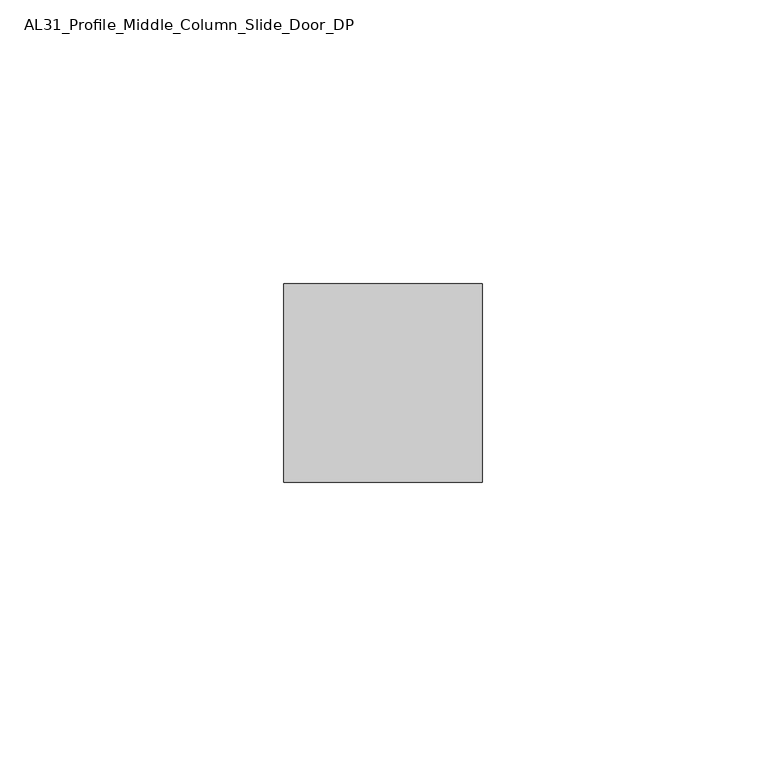
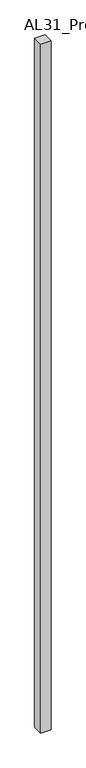
"""IFC4 building model written with IfcOpenShell, lengths in millimetres: member geometry, AL31_Profile_Middle_Column_Slide_Door_DP."""

from ifc_helpers import new_model, si_unit, frame, origin, place, context, project, spatial, polyline, outline, extrude, source, transform, mapped, element, save


def al31_profile_middle_column_slide_door_dp_c5d4a0c3(model_context):
    return source(origin(), model_context, "Body", "SweptSolid", [
        extrude(outline(polyline([(-17.5, 2.347522), (-17.5, 37.347522), (17.5, 37.347522), (17.5, 2.347522), (-17.5, 2.347522)])), frame((0.0, 0.0, -2483.9572926), z_axis=(0.0, 0.0, 1.0), x_axis=(1.0, 0.0, 0.0)), (0.0, 0.0, 1.0), 2483.9572926),
    ])


if __name__ == "__main__":
    model = new_model("IFC4")
    model_context = context("Model", 3, world=origin())
    ifc_project = project(units=[si_unit("LENGTHUNIT", "METRE", prefix="MILLI")], contexts=[model_context])
    site = spatial("IfcSite", under=ifc_project)
    building = spatial("IfcBuilding", under=site)
    placement = place(None, origin())
    al31_profile_middle_column_slide_door_dp_shape = al31_profile_middle_column_slide_door_dp_c5d4a0c3(model_context)
    element("IfcMember", 1, ObjectType="AL31_Profile_Middle_Column_Slide_Door_DP", at=placement, inside=building, context=model_context, shape_type="MappedRepresentation", body=[
        mapped(al31_profile_middle_column_slide_door_dp_shape, transform((0.0, 0.0, 0.0), x_axis=(1.0, 0.0, 0.0), y_axis=(0.0, 1.0, 0.0), z_axis=(0.0, 0.0, 1.0))),
    ])
    save(model, "model.ifc")
